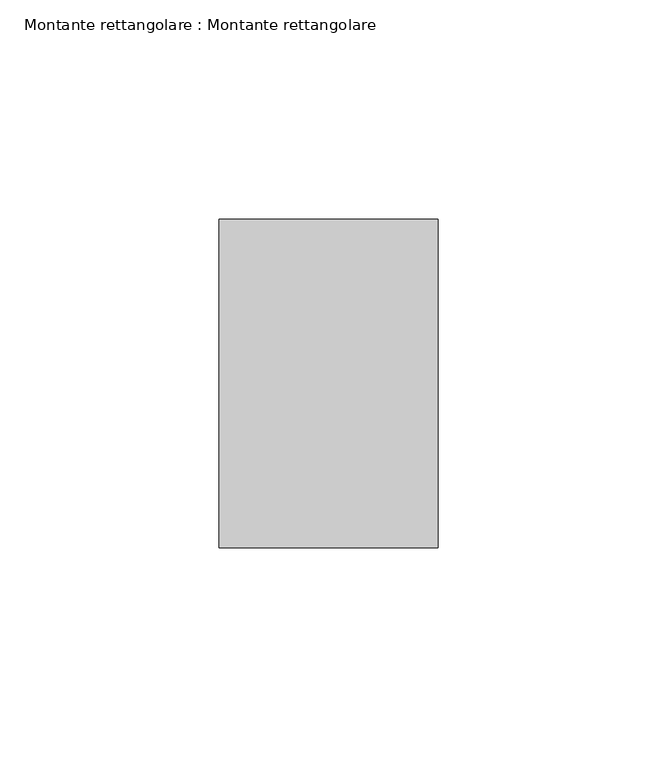
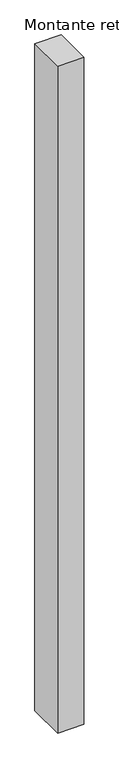
"""IFC4 building model written with IfcOpenShell, lengths in millimetres: member geometry, Montante rettangolare : Montante rettangolare."""

from ifc_helpers import new_model, si_unit, frame, origin, place, context, project, spatial, polyline, outline, extrude, source, transform, mapped, element, save


def montante_rettangolare_montante_rettangolare_d8c1bf14(model_context):
    return source(origin(), model_context, "Body", "SweptSolid", [
        extrude(outline(polyline([(25.0, 37.5), (25.0, -37.5), (-25.0, -37.5), (-25.0, 37.5), (25.0, 37.5)])), frame((0.0, 0.0, -1350.0), z_axis=(0.0, 0.0, 1.0), x_axis=(1.0, 0.0, 0.0)), (0.0, 0.0, 1.0), 1350.0),
    ])


if __name__ == "__main__":
    model = new_model("IFC4")
    model_context = context("Model", 3, world=origin())
    ifc_project = project(units=[si_unit("LENGTHUNIT", "METRE", prefix="MILLI")], contexts=[model_context])
    site = spatial("IfcSite", under=ifc_project)
    building = spatial("IfcBuilding", under=site)
    placement = place(None, origin())
    montante_rettangolare_montante_rettangolare_shape = montante_rettangolare_montante_rettangolare_d8c1bf14(model_context)
    element("IfcMember", 1, ObjectType="Montante rettangolare : Montante rettangolare", at=placement, inside=building, context=model_context, shape_type="MappedRepresentation", body=[
        mapped(montante_rettangolare_montante_rettangolare_shape, transform((0.0, 0.0, 0.0), x_axis=(1.0, 0.0, 0.0), y_axis=(0.0, 1.0, 0.0), z_axis=(0.0, 0.0, 1.0))),
    ])
    save(model, "model.ifc")
